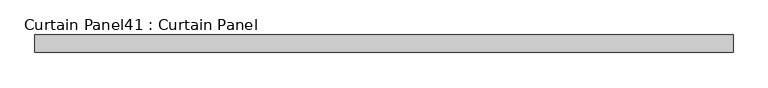
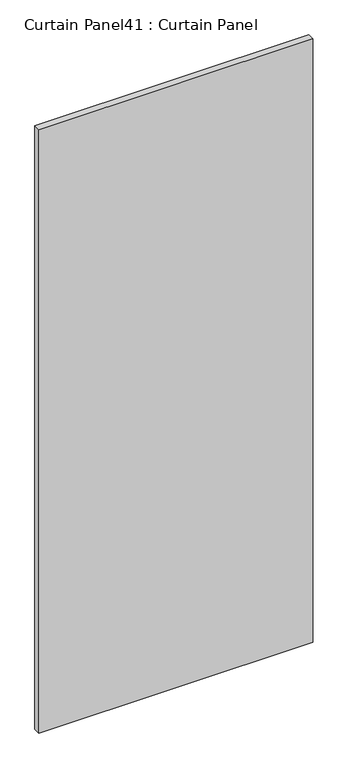
"""IFC4 building model written with IfcOpenShell, lengths in millimetres: plate geometry, Curtain Panel41 : Curtain Panel."""

from ifc_helpers import new_model, si_unit, frame, origin, place, context, project, spatial, polyline, outline, extrude, source, transform, mapped, element, save


def curtain_panel41_curtain_panel_39c9efc4(model_context):
    return source(origin(), model_context, "Body", "SweptSolid", [
        extrude(outline(polyline([(-37145.4159538, -1283.4463534), (-38164.4466575, -1283.4463534), (-38164.4466575, -1258.0463534), (-37145.4159538, -1258.0463534), (-37145.4159538, -1283.4463534)])), frame((0.0, 0.0, 54.0872101), z_axis=(0.0, 0.0, 1.0), x_axis=(1.0, 0.0, 0.0)), (0.0, 0.0, 1.0), 2374.7877899),
    ])


if __name__ == "__main__":
    model = new_model("IFC4")
    model_context = context("Model", 3, world=origin())
    ifc_project = project(units=[si_unit("LENGTHUNIT", "METRE", prefix="MILLI")], contexts=[model_context])
    site = spatial("IfcSite", under=ifc_project)
    building = spatial("IfcBuilding", under=site)
    placement = place(None, origin())
    curtain_panel41_curtain_panel_shape = curtain_panel41_curtain_panel_39c9efc4(model_context)
    element("IfcPlate", 1, ObjectType="Curtain Panel41 : Curtain Panel", at=placement, inside=building, context=model_context, shape_type="MappedRepresentation", body=[
        mapped(curtain_panel41_curtain_panel_shape, transform((0.0, 0.0, 0.0), x_axis=(1.0, 0.0, 0.0), y_axis=(0.0, 1.0, 0.0), z_axis=(0.0, 0.0, 1.0))),
    ])
    save(model, "model.ifc")
